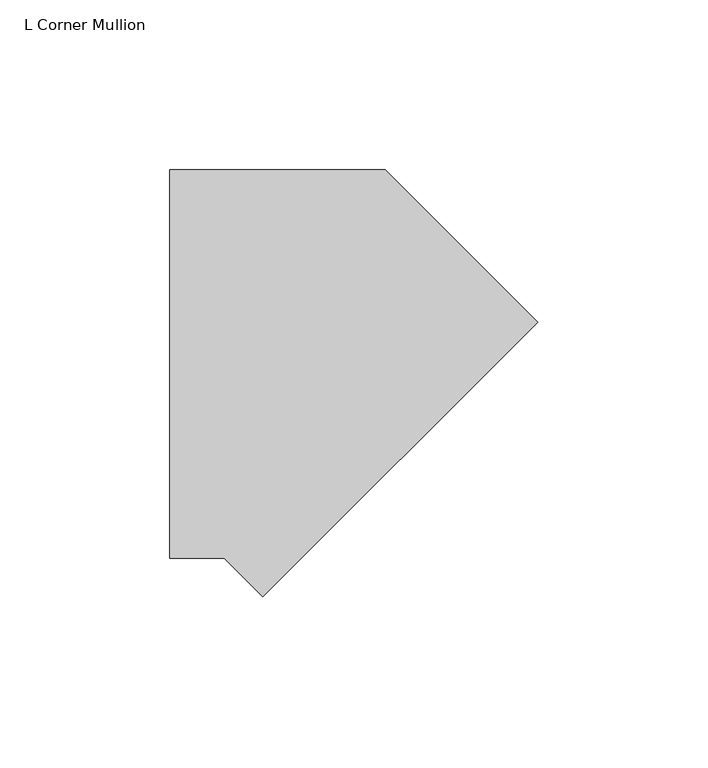
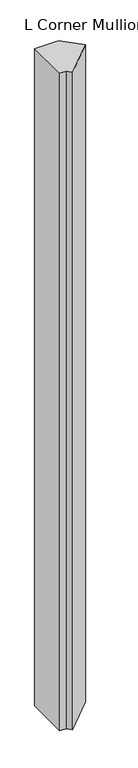
"""IFC4 building model written with IfcOpenShell, lengths in millimetres: member geometry, L Corner Mullion."""

from ifc_helpers import new_model, si_unit, frame, origin, place, context, project, spatial, polyline, outline, extrude, source, transform, mapped, element, save


def l_corner_mullion_695edc38(model_context):
    return source(origin(), model_context, "Body", "SweptSolid", [
        extrude(outline(polyline([(-12.3478522, -68.4744529), (-23.6723051, -57.15), (-39.6875, -57.15), (-39.6875, 57.15), (23.6723051, 57.15), (68.4744529, 12.3478522), (-12.3478522, -68.4744529)])), frame((0.0, 0.0, -1828.8), z_axis=(0.0, 0.0, 1.0), x_axis=(1.0, 0.0, 0.0)), (0.0, 0.0, 1.0), 1828.8),
    ])


if __name__ == "__main__":
    model = new_model("IFC4")
    model_context = context("Model", 3, world=origin())
    ifc_project = project(units=[si_unit("LENGTHUNIT", "METRE", prefix="MILLI")], contexts=[model_context])
    site = spatial("IfcSite", under=ifc_project)
    building = spatial("IfcBuilding", under=site)
    placement = place(None, origin())
    l_corner_mullion_shape = l_corner_mullion_695edc38(model_context)
    element("IfcMember", 1, ObjectType="L Corner Mullion", at=placement, inside=building, context=model_context, shape_type="MappedRepresentation", body=[
        mapped(l_corner_mullion_shape, transform((0.0, 0.0, 0.0), x_axis=(1.0, 0.0, 0.0), y_axis=(0.0, 1.0, 0.0), z_axis=(0.0, 0.0, 1.0))),
    ])
    save(model, "model.ifc")
